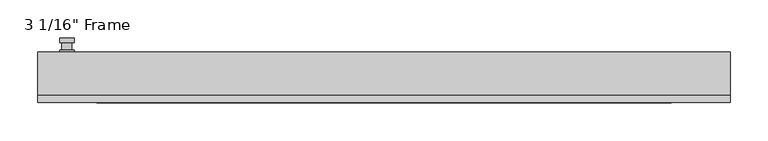
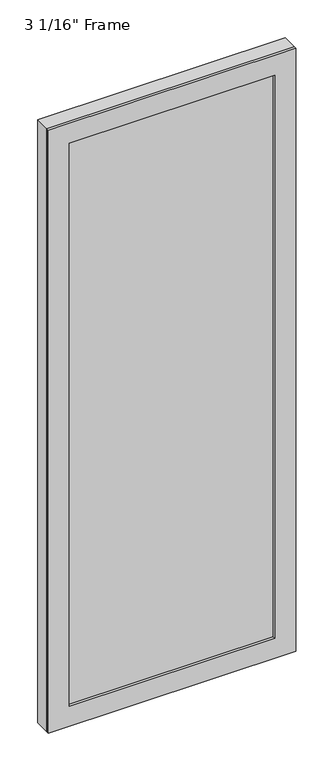
"""IFC4 building model written with IfcOpenShell, lengths in millimetres: plate geometry."""

from ifc_helpers import new_model, si_unit, frame, origin, place, context, project, spatial, polyline, circle_curve, outline, extrude, faceted_brep, source, transform, mapped, element, save
from ifc_brep_helpers import plane_surface, cylinder_surface, advanced_brep


def plate_1b982f14(model_context):
    return source(origin(), model_context, "Body", "SolidModel", [
        advanced_brep(
        [(-408.78125, 33.3375, 927.1), (-427.83125, 33.3375, 927.1), (-427.83125, 33.3375, 901.7), (-408.78125, 33.3375, 901.7), (-411.95625, 46.0375, 914.4), (-411.95625, 36.5125, 914.4), (-424.65625, 36.5125, 914.4), (-424.65625, 46.0375, 914.4), (-408.78125, 46.0375, 914.4), (-427.83125, 46.0375, 914.4), (-424.6522144, 46.0375, 825.2736467), (-411.9602856, 46.0375, 825.2736467), (-408.78125, 52.3875, 914.4), (-411.9602856, 52.3875, 825.2736467), (-424.6522144, 52.3875, 825.2736467), (-427.83125, 52.3875, 914.4), (-408.78125, 36.5125, 927.1), (-408.78125, 36.5125, 901.7), (-427.83125, 36.5125, 901.7), (-427.83125, 36.5125, 927.1)],
        [
            (0, 1, circle_curve(frame((-418.30625, 33.3375, 927.1), z_axis=(0.0, -1.0, 0.0), x_axis=(-1.0, 0.0, 0.0)), 9.525)),
            (1, 2),
            (2, 3, circle_curve(frame((-418.30625, 33.3375, 901.7), z_axis=(0.0, -1.0, 0.0), x_axis=(-1.0, 0.0, 0.0)), 9.525)),
            (3, 0),
            (4, 5),
            (5, 6, circle_curve(frame((-418.30625, 36.5125, 914.4), z_axis=(0.0, 1.0, 0.0), x_axis=(-1.0, 0.0, 0.0)), 6.35)),
            (6, 7),
            (7, 4, circle_curve(frame((-418.30625, 46.0375, 914.4), z_axis=(0.0, -1.0, 0.0), x_axis=(-1.0, 0.0, 0.0)), 6.35)),
            (6, 5, circle_curve(frame((-418.30625, 36.5125, 914.4), z_axis=(0.0, 1.0, 0.0), x_axis=(-1.0, 0.0, 0.0)), 6.35)),
            (4, 7, circle_curve(frame((-418.30625, 46.0375, 914.4), z_axis=(0.0, -1.0, 0.0), x_axis=(-1.0, 0.0, 0.0)), 6.35)),
            (8, 9, circle_curve(frame((-418.30625, 46.0375, 914.4), z_axis=(0.0, -1.0, 0.0), x_axis=(-1.0, 0.0, 0.0)), 9.525)),
            (9, 10),
            (10, 11, circle_curve(frame((-418.30625, 46.0375, 825.5), z_axis=(0.0, -1.0, 0.0), x_axis=(-1.0, 0.0, 0.0)), 6.35)),
            (11, 8),
            (12, 13),
            (13, 14, circle_curve(frame((-418.30625, 52.3875, 825.5), z_axis=(0.0, 1.0, 0.0), x_axis=(-1.0, 0.0, 0.0)), 6.35)),
            (14, 15),
            (15, 12, circle_curve(frame((-418.30625, 52.3875, 914.4), z_axis=(0.0, 1.0, 0.0), x_axis=(-1.0, 0.0, 0.0)), 9.525)),
            (11, 13),
            (12, 8),
            (10, 14),
            (9, 15),
            (16, 17),
            (17, 18, circle_curve(frame((-418.30625, 36.5125, 901.7), z_axis=(0.0, 1.0, 0.0), x_axis=(-1.0, 0.0, 0.0)), 9.525)),
            (18, 19),
            (19, 16, circle_curve(frame((-418.30625, 36.5125, 927.1), z_axis=(0.0, 1.0, 0.0), x_axis=(-1.0, 0.0, 0.0)), 9.525)),
            (3, 17),
            (16, 0),
            (2, 18),
            (1, 19),
        ],
        [
            plane_surface(frame((-424.65625, 33.3375, 914.4), z_axis=(0.0, -1.0, 0.0), x_axis=(0.0, 0.0, 1.0))),
            cylinder_surface(frame((-418.30625, 46.0375, 914.4), z_axis=(0.0, -1.0, 0.0), x_axis=(-1.0, 0.0, 0.0)), 6.35),
            plane_surface(frame((-408.78125, 46.0375, 914.4), z_axis=(0.0, -1.0000000000000002, 0.0), x_axis=(-0.03564619348186888, 0.0, -0.9993644724975235))),
            plane_surface(frame((-408.78125, 52.3875, 914.4), z_axis=(0.0, 1.0000000000000002, 0.0), x_axis=(0.03564619348186888, 0.0, 0.9993644724975235))),
            plane_surface(frame((-408.78125, 46.0375, 914.4), z_axis=(0.9993644724975235, 0.0, -0.03564619348186888), x_axis=(0.0, 1.0, 0.0))),
            cylinder_surface(frame((-418.30625, 52.3875, 825.5), z_axis=(0.0, -1.0, 0.0), x_axis=(-1.0, 0.0, 0.0)), 6.35),
            plane_surface(frame((-424.6522144, 46.0375, 825.2736467), z_axis=(-0.9993644724975228, 0.0, -0.03564619348188612), x_axis=(0.0, 1.0, 0.0))),
            cylinder_surface(frame((-418.30625, 52.3875, 914.4), z_axis=(0.0, -1.0, 0.0), x_axis=(-1.0, 0.0, 0.0)), 9.525),
            plane_surface(frame((-408.78125, 36.5125, 901.7), z_axis=(0.0, 1.0, 0.0), x_axis=(0.0, 0.0, 1.0))),
            plane_surface(frame((-408.78125, 33.3375, 927.1), z_axis=(1.0, 0.0, 0.0), x_axis=(0.0, 1.0, 0.0))),
            cylinder_surface(frame((-418.30625, 36.5125, 901.7), z_axis=(0.0, -1.0, 0.0), x_axis=(-1.0, 0.0, 0.0)), 9.525),
            plane_surface(frame((-427.83125, 33.3375, 901.7), z_axis=(-1.0, 0.0, 0.0), x_axis=(0.0, 1.0, 0.0))),
            cylinder_surface(frame((-418.30625, 36.5125, 927.1), z_axis=(0.0, -1.0, 0.0), x_axis=(-1.0, 0.0, 0.0)), 9.525),
        ],
        [
            (0, [[1, 2, 3, 4]]),
            (1, [[5, 6, 7, 8]]),
            (1, [[-7, 9, -5, 10]]),
            (2, [[11, 12, 13, 14], [-10, -8]]),
            (3, [[15, 16, 17, 18]]),
            (4, [[19, -15, 20, -14]]),
            (5, [[21, -16, -19, -13]]),
            (6, [[22, -17, -21, -12]]),
            (7, [[-20, -18, -22, -11]]),
            (8, [[23, 24, 25, 26], [-9, -6]]),
            (9, [[27, -23, 28, -4]]),
            (10, [[29, -24, -27, -3]]),
            (11, [[30, -25, -29, -2]]),
            (12, [[-28, -26, -30, -1]]),
        ],
    ),
        extrude(outline(polyline([(0.0, 456.40625), (2352.675, 456.40625), (2352.675, -456.40625), (0.0, -456.40625), (0.0, 456.40625)]), holes=[polyline([(2274.8875, -378.61875), (2274.8875, 378.61875), (77.7875, 378.61875), (77.7875, -378.61875), (2274.8875, -378.61875)])]), frame((0.0, -33.3375, 0.0), z_axis=(0.0, 1.0, 0.0), x_axis=(0.0, 0.0, 1.0)), (0.0, 0.0, 1.0), 9.525),
        faceted_brep([(-456.40625, 33.3375, 0.0), (456.40625, 33.3375, 0.0), (456.40625, -23.8125, 0.0), (-456.40625, -23.8125, 0.0), (-456.40625, -23.8125, 2352.675), (-456.40625, 33.3375, 2352.675), (456.40625, -23.8125, 2352.675), (-391.31875, -23.8125, 2287.5875), (391.31875, -23.8125, 2287.5875), (391.31875, -23.8125, 65.0875), (-391.31875, -23.8125, 65.0875), (-391.31875, 0.0, 65.0875), (-391.31875, 0.0, 2287.5875), (391.31875, 0.0, 65.0875), (391.31875, 0.0, 2287.5875), (-378.61875, 0.0, 2274.8875), (378.61875, 0.0, 2274.8875), (378.61875, 0.0, 77.7875), (-378.61875, 0.0, 77.7875), (-384.96875, 33.3375, 71.4375), (-384.96875, 33.3375, 2281.2375), (456.40625, 33.3375, 2352.675), (384.96875, 33.3375, 2281.2375), (384.96875, 33.3375, 71.4375)], [[[0, 1, 2, 3]], [[3, 4, 5, 0]], [[2, 6, 4, 3], [7, 8, 9, 10]], [[7, 10, 11, 12]], [[12, 11, 13, 14], [15, 16, 17, 18]], [[15, 18, 19, 20]], [[5, 21, 1, 0], [22, 20, 19, 23]], [[4, 6, 21, 5]], [[7, 12, 14, 8]], [[15, 20, 22, 16]], [[2, 1, 21, 6]], [[13, 9, 8, 14]], [[22, 23, 17, 16]], [[19, 18, 17, 23]], [[9, 13, 11, 10]]]),
        extrude(outline(polyline([(391.31875, 0.0), (391.31875, -23.8125), (-391.31875, -23.8125), (-391.31875, 0.0), (391.31875, 0.0)])), frame((0.0, 0.0, 65.0875), z_axis=(0.0, 0.0, 1.0), x_axis=(1.0, 0.0, 0.0)), (0.0, 0.0, 1.0), 2222.5),
    ])


if __name__ == "__main__":
    model = new_model("IFC4")
    model_context = context("Model", 3, world=origin())
    ifc_project = project(units=[si_unit("LENGTHUNIT", "METRE", prefix="MILLI")], contexts=[model_context])
    site = spatial("IfcSite", under=ifc_project)
    building = spatial("IfcBuilding", under=site)
    placement = place(None, origin())
    plate_shape = plate_1b982f14(model_context)
    element("IfcPlate", 1, ObjectType="3 1/16\" Frame", at=placement, inside=building, context=model_context, shape_type="MappedRepresentation", body=[
        mapped(plate_shape, transform((0.0, 0.0, 0.0), x_axis=(1.0, 0.0, 0.0), y_axis=(0.0, 1.0, 0.0), z_axis=(0.0, 0.0, 1.0))),
    ])
    save(model, "model.ifc")
